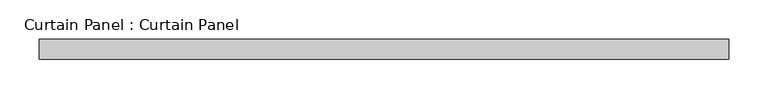
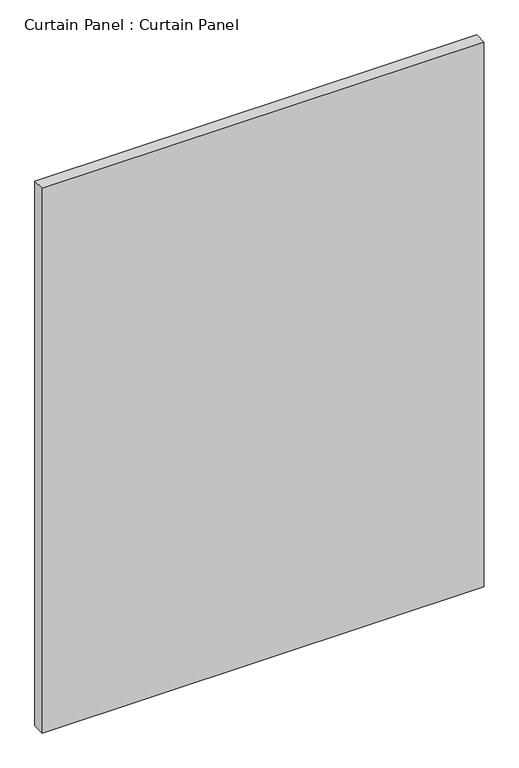
"""IFC4 building model written with IfcOpenShell, lengths in millimetres: plate geometry, Curtain Panel : Curtain Panel."""

import ifcopenshell
import ifcopenshell.guid

model = None  # the IFC model being written
_history = None  # IfcOwnerHistory: only IFC2X3 demands one
_inside = {}  # id of a spatial element -> (the spatial element, [elements in it])
_under = {}  # id of a project, library or spatial element -> (it, [spatial elements below it])
_declared = {}  # id of a project -> (the project, [libraries it declares])
_typed = {}  # id of a type object -> (the type object, [elements of that type])
_made_of = {}  # id of a material, layer set ... -> (it, [elements and type objects made of it])


def new_model(schema):
    """Start an empty IFC model of exactly this schema.

    Asked for "IFC4X3", IfcOpenShell would pick the latest addendum, in which some entities
    have other attributes; the version numbers below select the first issue.
    IFC2X3 requires an IfcOwnerHistory on every rooted entity: one is made here for all.
    """
    global model, _history
    if schema == "IFC4X3":
        model = ifcopenshell.file(schema_version=(4, 3, 0, 0))
    else:
        model = ifcopenshell.file(schema=schema)
    _inside.clear()
    _under.clear()
    _declared.clear()
    _typed.clear()
    _made_of.clear()
    _history = None
    if model.schema == "IFC2X3":
        org = make("IfcOrganization", Name="unknown")
        user = make(
            "IfcPersonAndOrganization",
            ThePerson=make("IfcPerson", FamilyName="unknown"),
            TheOrganization=org,
        )
        app = make(
            "IfcApplication",
            ApplicationDeveloper=org,
            Version="unknown",
            ApplicationFullName="unknown",
            ApplicationIdentifier="unknown",
        )
        _history = make(
            "IfcOwnerHistory",
            OwningUser=user,
            OwningApplication=app,
            ChangeAction="ADDED",
            CreationDate=0,
        )
    return model


def make(cls, **values):
    """One entity of the class cls with the attributes given. An attribute that is None is left unset."""
    return model.create_entity(
        cls, **{name: value for name, value in values.items() if value is not None}
    )


def rooted(cls, **values):
    """An entity with a GlobalId (a new one), such as an element, a storey or a relation."""
    return make(cls, GlobalId=ifcopenshell.guid.new(), OwnerHistory=_history, **values)


def si_unit(unit_type, name, prefix=None):
    """IfcSIUnit, for example si_unit("LENGTHUNIT", "METRE", prefix="MILLI")."""
    return make("IfcSIUnit", UnitType=unit_type, Prefix=prefix, Name=name)


def assignment(units):
    """IfcUnitAssignment: the units of a project."""
    return None if units is None else make("IfcUnitAssignment", Units=units)


def point(xyz):
    """IfcCartesianPoint."""
    return None if xyz is None else make("IfcCartesianPoint", Coordinates=xyz)


def direction(xyz):
    """IfcDirection."""
    return None if xyz is None else make("IfcDirection", DirectionRatios=xyz)


def frame(location, z_axis=None, x_axis=None):
    """IfcAxis2Placement3D, a coordinate frame: its origin and axes. An axis left out is left unset."""
    return make(
        "IfcAxis2Placement3D",
        Location=point(location),
        Axis=direction(z_axis),
        RefDirection=direction(x_axis),
    )


def origin():
    """The frame at (0, 0, 0) with its axes left unset."""
    return frame((0.0, 0.0, 0.0))


def place(relative_to, where):
    """IfcLocalPlacement: puts the frame where relative to a parent placement (None: the world)."""
    return make(
        "IfcLocalPlacement", PlacementRelTo=relative_to, RelativePlacement=where
    )


def context(
    kind, dimensions, precision=None, world=None, true_north=None, identifier=None
):
    """IfcGeometricRepresentationContext, for example the 3D "Model" context."""
    return make(
        "IfcGeometricRepresentationContext",
        ContextIdentifier=identifier,
        ContextType=kind,
        CoordinateSpaceDimension=dimensions,
        Precision=precision,
        WorldCoordinateSystem=world,
        TrueNorth=true_north,
    )


def project(units=None, contexts=None):
    """IfcProject with its units and contexts."""
    return rooted(
        "IfcProject",
        Name="project",
        RepresentationContexts=contexts,
        UnitsInContext=assignment(units),
    )


def spatial(cls, under=None, at=None, **own):
    """A site, building, storey or space (cls), placed at a placement, below another one or the project."""
    s = rooted(cls, ObjectPlacement=at, **own)
    if under is not None:
        _under.setdefault(under.id(), (under, []))[1].append(s)
    return s


def polyline(points):
    """IfcPolyline through the points."""
    return make("IfcPolyline", Points=[point(p) for p in points])


def outline(outer, holes=None, kind="AREA"):
    """IfcArbitraryClosedProfileDef: a profile drawn as a closed curve; with holes, ...WithVoids."""
    if holes is None:
        return make("IfcArbitraryClosedProfileDef", ProfileType=kind, OuterCurve=outer)
    return make(
        "IfcArbitraryProfileDefWithVoids",
        ProfileType=kind,
        OuterCurve=outer,
        InnerCurves=holes,
    )


def extrude(swept, where, along, depth):
    """IfcExtrudedAreaSolid: the profile swept, set in the frame where, extruded along a direction by depth."""
    return make(
        "IfcExtrudedAreaSolid",
        SweptArea=swept,
        Position=where,
        ExtrudedDirection=direction(along),
        Depth=depth,
    )


def shape(context_of_items, identifier, shape_type, items):
    """IfcShapeRepresentation: the items that make up one representation, for example the "Body"."""
    return make(
        "IfcShapeRepresentation",
        ContextOfItems=context_of_items,
        RepresentationIdentifier=identifier,
        RepresentationType=shape_type,
        Items=items,
    )


def source(mapping_origin, context_of_items, identifier, shape_type, items):
    """IfcRepresentationMap: a shape defined once, which mapped items show again and again."""
    return make(
        "IfcRepresentationMap",
        MappingOrigin=mapping_origin,
        MappedRepresentation=shape(context_of_items, identifier, shape_type, items),
    )


def transform(
    local_origin,
    x_axis=None,
    y_axis=None,
    z_axis=None,
    scale=None,
    scale2=None,
    scale3=None,
    uniform=True,
):
    """IfcCartesianTransformationOperator3D, or its non-uniform kind. x_axis, y_axis, z_axis: its Axis1, 2, 3."""
    if uniform:
        return make(
            "IfcCartesianTransformationOperator3D",
            Axis1=direction(x_axis),
            Axis2=direction(y_axis),
            LocalOrigin=point(local_origin),
            Scale=scale,
            Axis3=direction(z_axis),
        )
    return make(
        "IfcCartesianTransformationOperator3DnonUniform",
        Axis1=direction(x_axis),
        Axis2=direction(y_axis),
        LocalOrigin=point(local_origin),
        Scale=scale,
        Axis3=direction(z_axis),
        Scale2=scale2,
        Scale3=scale3,
    )


def mapped(mapping_source, mapping_target):
    """IfcMappedItem: shows the shape of a source again, moved by a transform."""
    return make(
        "IfcMappedItem", MappingSource=mapping_source, MappingTarget=mapping_target
    )


def made_of(thing, what):
    """Note that an element or type object is made of a material, layer set ...; save() writes the relation."""
    if what is not None:
        _made_of.setdefault(what.id(), (what, []))[1].append(thing)
    return thing


def element(
    cls,
    number,
    at=None,
    inside=None,
    cuts=None,
    type_object=None,
    material=None,
    context=None,
    identifier="Body",
    shape_type=None,
    held_by="IfcProductDefinitionShape",
    body=None,
    shapes=None,
    **own,
):
    """One element of the class cls, such as IfcWall. Its Tag is "e" and its number.

    at: its placement. inside: the storey or other place that contains it. cuts: it is an
    opening in that element (IfcRelVoidsElement). A single representation is given by context,
    identifier, shape_type and body (its items); several are given by shapes. held_by: the class
    of the entity that holds the representations. save() writes the other relations.
    """
    e = rooted(cls, Tag="e%d" % number, ObjectPlacement=at, **own)
    if body is not None:
        shapes = [shape(context, identifier, shape_type, body)]
    if shapes is not None:
        e.Representation = make(held_by, Representations=shapes)
    if inside is not None:
        _inside.setdefault(inside.id(), (inside, []))[1].append(e)
    if cuts is not None:
        rooted(
            "IfcRelVoidsElement", RelatingBuildingElement=cuts, RelatedOpeningElement=e
        )
    if type_object is not None:
        _typed.setdefault(type_object.id(), (type_object, []))[1].append(e)
    return made_of(e, material)


def aggregate(whole, parts):
    """IfcRelAggregates: a whole, such as a stair, and the parts it consists of."""
    return rooted("IfcRelAggregates", RelatingObject=whole, RelatedObjects=parts)


def save(model, path):
    """Write the relations noted so far, then the file.

    IfcRelAggregates (storeys below a building ...), IfcRelContainedInSpatialStructure (elements
    in a storey), IfcRelDefinesByType, IfcRelAssociatesMaterial and IfcRelDeclares: one each for
    every whole, place, type object, material and project.
    """
    for whole, parts in _under.values():
        aggregate(whole, parts)
    for where, things in _inside.values():
        rooted(
            "IfcRelContainedInSpatialStructure",
            RelatedElements=things,
            RelatingStructure=where,
        )
    for kind, things in _typed.values():
        rooted("IfcRelDefinesByType", RelatedObjects=things, RelatingType=kind)
    for what, things in _made_of.values():
        rooted("IfcRelAssociatesMaterial", RelatedObjects=things, RelatingMaterial=what)
    for by, libraries in _declared.values():
        rooted("IfcRelDeclares", RelatingContext=by, RelatedDefinitions=libraries)
    model.write(path)


def curtain_panel_curtain_panel_de7832a6(model_context):
    return source(origin(), model_context, "Body", "SweptSolid", [
        extrude(outline(polyline([(-35344.1151326, -1996.9602036), (-36219.9444373, -1996.9602036), (-36219.9444373, -1971.5602036), (-35344.1151326, -1971.5602036), (-35344.1151326, -1996.9602036)])), frame((0.0, 0.0, 1767.8274539), z_axis=(0.0, 0.0, 1.0), x_axis=(1.0, 0.0, 0.0)), (0.0, 0.0, 1.0), 1141.8462759),
    ])


if __name__ == "__main__":
    model = new_model("IFC4")
    model_context = context("Model", 3, world=origin())
    ifc_project = project(units=[si_unit("LENGTHUNIT", "METRE", prefix="MILLI")], contexts=[model_context])
    site = spatial("IfcSite", under=ifc_project)
    building = spatial("IfcBuilding", under=site)
    placement = place(None, origin())
    curtain_panel_curtain_panel_shape = curtain_panel_curtain_panel_de7832a6(model_context)
    element("IfcPlate", 1, ObjectType="Curtain Panel : Curtain Panel", at=placement, inside=building, context=model_context, shape_type="MappedRepresentation", body=[
        mapped(curtain_panel_curtain_panel_shape, transform((0.0, 0.0, 0.0), x_axis=(1.0, 0.0, 0.0), y_axis=(0.0, 1.0, 0.0), z_axis=(0.0, 0.0, 1.0))),
    ])
    save(model, "model.ifc")
